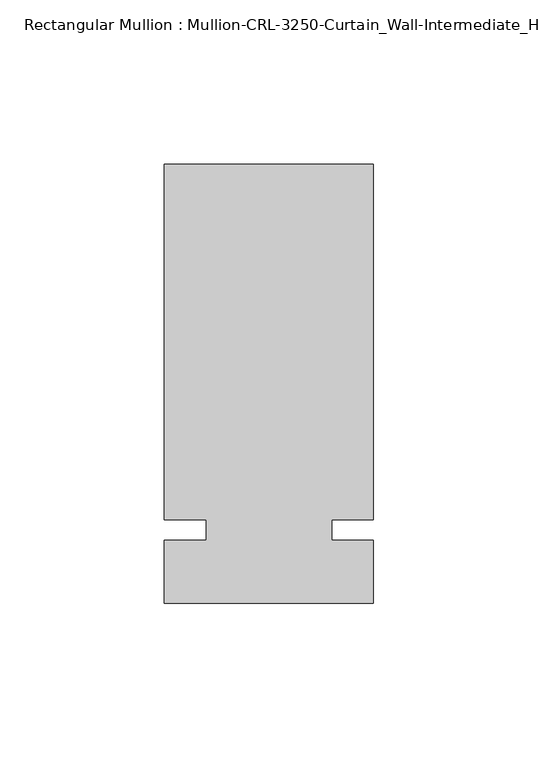
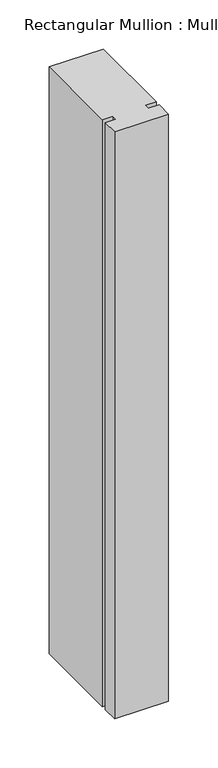
"""IFC4 building model written with IfcOpenShell, lengths in millimetres: member geometry."""

from ifc_helpers import new_model, si_unit, frame, origin, place, context, project, spatial, polyline, outline, extrude, source, transform, mapped, element, save


def member_330c9e2c(model_context):
    return source(origin(), model_context, "Body", "SweptSolid", [
        extrude(outline(polyline([(31.7499985, -3.175), (31.7499985, -22.2254168), (-31.7499985, -22.2254168), (-31.7499985, -3.175), (-19.0499985, -3.175), (-19.0499985, 3.175), (-31.7499985, 3.175), (-31.7499985, 111.1245832), (31.7499985, 111.1245832), (31.7499985, 3.175), (19.0499985, 3.175), (19.0499985, -3.175), (31.7499985, -3.175)])), frame((0.0, 0.0, -730.0666715), z_axis=(0.0, 0.0, 1.0), x_axis=(1.0, 0.0, 0.0)), (0.0, 0.0, 1.0), 730.0666715),
    ])


if __name__ == "__main__":
    model = new_model("IFC4")
    model_context = context("Model", 3, world=origin())
    ifc_project = project(units=[si_unit("LENGTHUNIT", "METRE", prefix="MILLI")], contexts=[model_context])
    site = spatial("IfcSite", under=ifc_project)
    building = spatial("IfcBuilding", under=site)
    placement = place(None, origin())
    member_shape = member_330c9e2c(model_context)
    element("IfcMember", 1, ObjectType="Rectangular Mullion : Mullion-CRL-3250-Curtain_Wall-Intermediate_Horizontal-4\"", at=placement, inside=building, context=model_context, shape_type="MappedRepresentation", body=[
        mapped(member_shape, transform((0.0, 0.0, 0.0), x_axis=(1.0, 0.0, 0.0), y_axis=(0.0, 1.0, 0.0), z_axis=(0.0, 0.0, 1.0))),
    ])
    save(model, "model.ifc")
